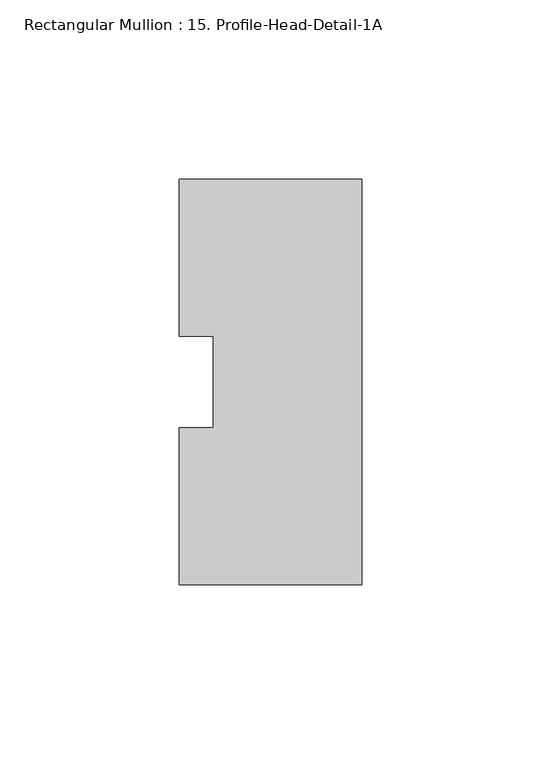
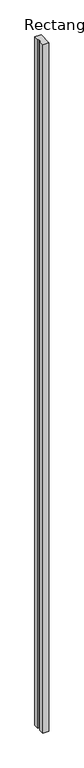
"""IFC4 building model written with IfcOpenShell, lengths in millimetres: member geometry, Rectangular Mullion : 15. Profile-Head-Detail-1A."""

import ifcopenshell
import ifcopenshell.guid

model = None  # the IFC model being written
_history = None  # IfcOwnerHistory: only IFC2X3 demands one
_inside = {}  # id of a spatial element -> (the spatial element, [elements in it])
_under = {}  # id of a project, library or spatial element -> (it, [spatial elements below it])
_declared = {}  # id of a project -> (the project, [libraries it declares])
_typed = {}  # id of a type object -> (the type object, [elements of that type])
_made_of = {}  # id of a material, layer set ... -> (it, [elements and type objects made of it])


def new_model(schema):
    """Start an empty IFC model of exactly this schema.

    Asked for "IFC4X3", IfcOpenShell would pick the latest addendum, in which some entities
    have other attributes; the version numbers below select the first issue.
    IFC2X3 requires an IfcOwnerHistory on every rooted entity: one is made here for all.
    """
    global model, _history
    if schema == "IFC4X3":
        model = ifcopenshell.file(schema_version=(4, 3, 0, 0))
    else:
        model = ifcopenshell.file(schema=schema)
    _inside.clear()
    _under.clear()
    _declared.clear()
    _typed.clear()
    _made_of.clear()
    _history = None
    if model.schema == "IFC2X3":
        org = make("IfcOrganization", Name="unknown")
        user = make(
            "IfcPersonAndOrganization",
            ThePerson=make("IfcPerson", FamilyName="unknown"),
            TheOrganization=org,
        )
        app = make(
            "IfcApplication",
            ApplicationDeveloper=org,
            Version="unknown",
            ApplicationFullName="unknown",
            ApplicationIdentifier="unknown",
        )
        _history = make(
            "IfcOwnerHistory",
            OwningUser=user,
            OwningApplication=app,
            ChangeAction="ADDED",
            CreationDate=0,
        )
    return model


def make(cls, **values):
    """One entity of the class cls with the attributes given. An attribute that is None is left unset."""
    return model.create_entity(
        cls, **{name: value for name, value in values.items() if value is not None}
    )


def rooted(cls, **values):
    """An entity with a GlobalId (a new one), such as an element, a storey or a relation."""
    return make(cls, GlobalId=ifcopenshell.guid.new(), OwnerHistory=_history, **values)


def si_unit(unit_type, name, prefix=None):
    """IfcSIUnit, for example si_unit("LENGTHUNIT", "METRE", prefix="MILLI")."""
    return make("IfcSIUnit", UnitType=unit_type, Prefix=prefix, Name=name)


def assignment(units):
    """IfcUnitAssignment: the units of a project."""
    return None if units is None else make("IfcUnitAssignment", Units=units)


def point(xyz):
    """IfcCartesianPoint."""
    return None if xyz is None else make("IfcCartesianPoint", Coordinates=xyz)


def direction(xyz):
    """IfcDirection."""
    return None if xyz is None else make("IfcDirection", DirectionRatios=xyz)


def frame(location, z_axis=None, x_axis=None):
    """IfcAxis2Placement3D, a coordinate frame: its origin and axes. An axis left out is left unset."""
    return make(
        "IfcAxis2Placement3D",
        Location=point(location),
        Axis=direction(z_axis),
        RefDirection=direction(x_axis),
    )


def origin():
    """The frame at (0, 0, 0) with its axes left unset."""
    return frame((0.0, 0.0, 0.0))


def place(relative_to, where):
    """IfcLocalPlacement: puts the frame where relative to a parent placement (None: the world)."""
    return make(
        "IfcLocalPlacement", PlacementRelTo=relative_to, RelativePlacement=where
    )


def context(
    kind, dimensions, precision=None, world=None, true_north=None, identifier=None
):
    """IfcGeometricRepresentationContext, for example the 3D "Model" context."""
    return make(
        "IfcGeometricRepresentationContext",
        ContextIdentifier=identifier,
        ContextType=kind,
        CoordinateSpaceDimension=dimensions,
        Precision=precision,
        WorldCoordinateSystem=world,
        TrueNorth=true_north,
    )


def project(units=None, contexts=None):
    """IfcProject with its units and contexts."""
    return rooted(
        "IfcProject",
        Name="project",
        RepresentationContexts=contexts,
        UnitsInContext=assignment(units),
    )


def spatial(cls, under=None, at=None, **own):
    """A site, building, storey or space (cls), placed at a placement, below another one or the project."""
    s = rooted(cls, ObjectPlacement=at, **own)
    if under is not None:
        _under.setdefault(under.id(), (under, []))[1].append(s)
    return s


def polyline(points):
    """IfcPolyline through the points."""
    return make("IfcPolyline", Points=[point(p) for p in points])


def outline(outer, holes=None, kind="AREA"):
    """IfcArbitraryClosedProfileDef: a profile drawn as a closed curve; with holes, ...WithVoids."""
    if holes is None:
        return make("IfcArbitraryClosedProfileDef", ProfileType=kind, OuterCurve=outer)
    return make(
        "IfcArbitraryProfileDefWithVoids",
        ProfileType=kind,
        OuterCurve=outer,
        InnerCurves=holes,
    )


def extrude(swept, where, along, depth):
    """IfcExtrudedAreaSolid: the profile swept, set in the frame where, extruded along a direction by depth."""
    return make(
        "IfcExtrudedAreaSolid",
        SweptArea=swept,
        Position=where,
        ExtrudedDirection=direction(along),
        Depth=depth,
    )


def shape(context_of_items, identifier, shape_type, items):
    """IfcShapeRepresentation: the items that make up one representation, for example the "Body"."""
    return make(
        "IfcShapeRepresentation",
        ContextOfItems=context_of_items,
        RepresentationIdentifier=identifier,
        RepresentationType=shape_type,
        Items=items,
    )


def source(mapping_origin, context_of_items, identifier, shape_type, items):
    """IfcRepresentationMap: a shape defined once, which mapped items show again and again."""
    return make(
        "IfcRepresentationMap",
        MappingOrigin=mapping_origin,
        MappedRepresentation=shape(context_of_items, identifier, shape_type, items),
    )


def transform(
    local_origin,
    x_axis=None,
    y_axis=None,
    z_axis=None,
    scale=None,
    scale2=None,
    scale3=None,
    uniform=True,
):
    """IfcCartesianTransformationOperator3D, or its non-uniform kind. x_axis, y_axis, z_axis: its Axis1, 2, 3."""
    if uniform:
        return make(
            "IfcCartesianTransformationOperator3D",
            Axis1=direction(x_axis),
            Axis2=direction(y_axis),
            LocalOrigin=point(local_origin),
            Scale=scale,
            Axis3=direction(z_axis),
        )
    return make(
        "IfcCartesianTransformationOperator3DnonUniform",
        Axis1=direction(x_axis),
        Axis2=direction(y_axis),
        LocalOrigin=point(local_origin),
        Scale=scale,
        Axis3=direction(z_axis),
        Scale2=scale2,
        Scale3=scale3,
    )


def mapped(mapping_source, mapping_target):
    """IfcMappedItem: shows the shape of a source again, moved by a transform."""
    return make(
        "IfcMappedItem", MappingSource=mapping_source, MappingTarget=mapping_target
    )


def made_of(thing, what):
    """Note that an element or type object is made of a material, layer set ...; save() writes the relation."""
    if what is not None:
        _made_of.setdefault(what.id(), (what, []))[1].append(thing)
    return thing


def element(
    cls,
    number,
    at=None,
    inside=None,
    cuts=None,
    type_object=None,
    material=None,
    context=None,
    identifier="Body",
    shape_type=None,
    held_by="IfcProductDefinitionShape",
    body=None,
    shapes=None,
    **own,
):
    """One element of the class cls, such as IfcWall. Its Tag is "e" and its number.

    at: its placement. inside: the storey or other place that contains it. cuts: it is an
    opening in that element (IfcRelVoidsElement). A single representation is given by context,
    identifier, shape_type and body (its items); several are given by shapes. held_by: the class
    of the entity that holds the representations. save() writes the other relations.
    """
    e = rooted(cls, Tag="e%d" % number, ObjectPlacement=at, **own)
    if body is not None:
        shapes = [shape(context, identifier, shape_type, body)]
    if shapes is not None:
        e.Representation = make(held_by, Representations=shapes)
    if inside is not None:
        _inside.setdefault(inside.id(), (inside, []))[1].append(e)
    if cuts is not None:
        rooted(
            "IfcRelVoidsElement", RelatingBuildingElement=cuts, RelatedOpeningElement=e
        )
    if type_object is not None:
        _typed.setdefault(type_object.id(), (type_object, []))[1].append(e)
    return made_of(e, material)


def aggregate(whole, parts):
    """IfcRelAggregates: a whole, such as a stair, and the parts it consists of."""
    return rooted("IfcRelAggregates", RelatingObject=whole, RelatedObjects=parts)


def save(model, path):
    """Write the relations noted so far, then the file.

    IfcRelAggregates (storeys below a building ...), IfcRelContainedInSpatialStructure (elements
    in a storey), IfcRelDefinesByType, IfcRelAssociatesMaterial and IfcRelDeclares: one each for
    every whole, place, type object, material and project.
    """
    for whole, parts in _under.values():
        aggregate(whole, parts)
    for where, things in _inside.values():
        rooted(
            "IfcRelContainedInSpatialStructure",
            RelatedElements=things,
            RelatingStructure=where,
        )
    for kind, things in _typed.values():
        rooted("IfcRelDefinesByType", RelatedObjects=things, RelatingType=kind)
    for what, things in _made_of.values():
        rooted("IfcRelAssociatesMaterial", RelatedObjects=things, RelatingMaterial=what)
    for by, libraries in _declared.values():
        rooted("IfcRelDeclares", RelatingContext=by, RelatedDefinitions=libraries)
    model.write(path)


def rectangular_mullion_15_profile_head_detail_1a_2cfcedd6(model_context):
    return source(origin(), model_context, "Body", "SweptSolid", [
        extrude(outline(polyline([(0.0, 56.4741695), (0.0, -56.6065035), (-50.8, -56.6065035), (-50.8, -12.7988627), (-41.275, -12.7988627), (-41.275, 12.6888356), (-50.8, 12.6888356), (-50.8, 56.4741695), (0.0, 56.4741695)])), frame((0.0, 0.0, -6032.5), z_axis=(0.0, 0.0, 1.0), x_axis=(1.0, 0.0, 0.0)), (0.0, 0.0, 1.0), 6032.5),
    ])


if __name__ == "__main__":
    model = new_model("IFC4")
    model_context = context("Model", 3, world=origin())
    ifc_project = project(units=[si_unit("LENGTHUNIT", "METRE", prefix="MILLI")], contexts=[model_context])
    site = spatial("IfcSite", under=ifc_project)
    building = spatial("IfcBuilding", under=site)
    placement = place(None, origin())
    rectangular_mullion_15_profile_head_detail_1a_shape = rectangular_mullion_15_profile_head_detail_1a_2cfcedd6(model_context)
    element("IfcMember", 1, ObjectType="Rectangular Mullion : 15. Profile-Head-Detail-1A", at=placement, inside=building, context=model_context, shape_type="MappedRepresentation", body=[
        mapped(rectangular_mullion_15_profile_head_detail_1a_shape, transform((0.0, 0.0, 0.0), x_axis=(1.0, 0.0, 0.0), y_axis=(0.0, 1.0, 0.0), z_axis=(0.0, 0.0, 1.0))),
    ])
    save(model, "model.ifc")
